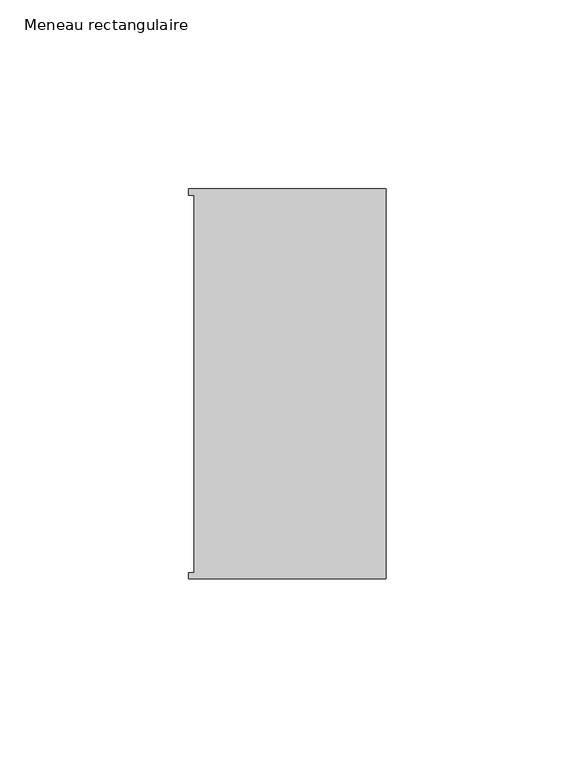
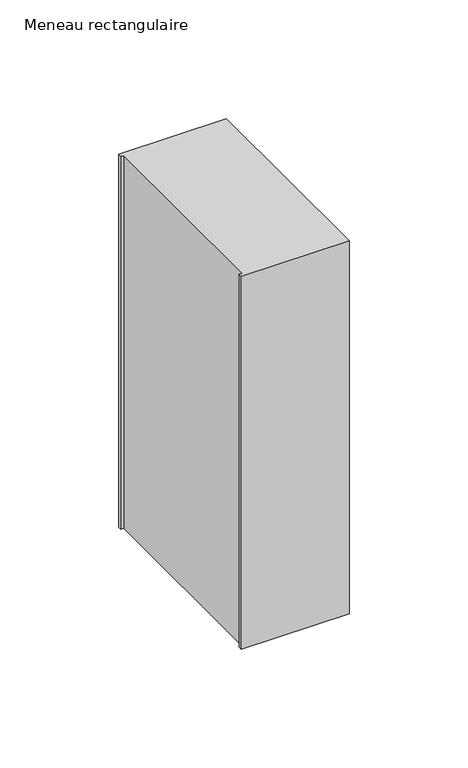
"""IFC4 building model written with IfcOpenShell, lengths in millimetres: member geometry, Meneau rectangulaire."""

from ifc_helpers import new_model, si_unit, frame, origin, place, context, project, spatial, polyline, outline, extrude, source, transform, mapped, element, save


def meneau_rectangulaire_0212ead1(model_context):
    return source(origin(), model_context, "Body", "SweptSolid", [
        extrude(outline(polyline([(-52.3, 51.6531441), (0.0, 51.6531441), (0.0, -51.6130012), (-52.3, -51.6130012), (-52.3, -49.9174099), (-50.9, -49.9174099), (-50.9, 49.9174073), (-52.3, 49.9174073), (-52.3, 51.6531441)])), frame((0.0, 0.0, -191.6571477), z_axis=(0.0, 0.0, 1.0), x_axis=(1.0, 0.0, 0.0)), (0.0, 0.0, 1.0), 191.6571477),
    ])


if __name__ == "__main__":
    model = new_model("IFC4")
    model_context = context("Model", 3, world=origin())
    ifc_project = project(units=[si_unit("LENGTHUNIT", "METRE", prefix="MILLI")], contexts=[model_context])
    site = spatial("IfcSite", under=ifc_project)
    building = spatial("IfcBuilding", under=site)
    placement = place(None, origin())
    meneau_rectangulaire_shape = meneau_rectangulaire_0212ead1(model_context)
    element("IfcMember", 1, ObjectType="Meneau rectangulaire", at=placement, inside=building, context=model_context, shape_type="MappedRepresentation", body=[
        mapped(meneau_rectangulaire_shape, transform((0.0, 0.0, 0.0), x_axis=(1.0, 0.0, 0.0), y_axis=(0.0, 1.0, 0.0), z_axis=(0.0, 0.0, 1.0))),
    ])
    save(model, "model.ifc")
